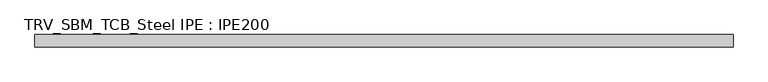
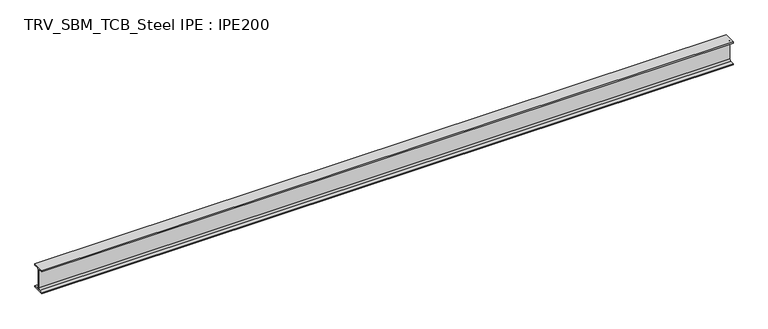
"""IFC4 building model written with IfcOpenShell, lengths in millimetres: beam geometry, TRV_SBM_TCB_Steel IPE : IPE200."""

from ifc_helpers import new_model, si_unit, point, frame, frame_2d, origin, place, context, project, spatial, polyline, circle_curve, trimmed, segment, composite_curve, outline, extrude, source, transform, mapped, element, save


def trv_sbm_tcb_steel_ipe_ipe200_8c50a62b(model_context):
    return source(origin(), model_context, "Body", "SweptSolid", [
        extrude(outline(composite_curve([segment(polyline([(50.0, -89.3), (50.0, -100.0), (-50.0, -100.0), (-50.0, -89.3), (-18.55, -89.3)]), True, "CONTINUOUS"), segment(trimmed(circle_curve(frame_2d((-18.55, -74.3)), 15.0), [point((-18.55, -89.3))], [point((-3.55, -74.3))], True, "CARTESIAN"), True, "CONTINUOUS"), segment(polyline([(-3.55, -74.3), (-3.55, 74.3)]), True, "CONTINUOUS"), segment(trimmed(circle_curve(frame_2d((-18.55, 74.3)), 15.0), [point((-3.55, 74.3))], [point((-18.55, 89.3))], True, "CARTESIAN"), True, "CONTINUOUS"), segment(polyline([(-18.55, 89.3), (-50.0, 89.3), (-50.0, 100.0), (50.0, 100.0), (50.0, 89.3), (18.55, 89.3)]), True, "CONTINUOUS"), segment(trimmed(circle_curve(frame_2d((18.55, 74.3)), 15.0), [point((18.55, 89.3))], [point((3.55, 74.3))], True, "CARTESIAN"), True, "CONTINUOUS"), segment(polyline([(3.55, 74.3), (3.55, -74.3)]), True, "CONTINUOUS"), segment(trimmed(circle_curve(frame_2d((18.55, -74.3)), 15.0), [point((3.55, -74.3))], [point((18.55, -89.3))], True, "CARTESIAN"), True, "CONTINUOUS"), segment(polyline([(18.55, -89.3), (50.0, -89.3)]), True, "CONTINUOUS")], self_intersect=False)), frame((-2834.0, 0.0, 0.0), z_axis=(1.0, 0.0, 0.0), x_axis=(0.0, 1.0, 0.0)), (0.0, 0.0, 1.0), 5688.0),
    ])


if __name__ == "__main__":
    model = new_model("IFC4")
    model_context = context("Model", 3, world=origin())
    ifc_project = project(units=[si_unit("LENGTHUNIT", "METRE", prefix="MILLI")], contexts=[model_context])
    site = spatial("IfcSite", under=ifc_project)
    building = spatial("IfcBuilding", under=site)
    placement = place(None, origin())
    trv_sbm_tcb_steel_ipe_ipe200_shape = trv_sbm_tcb_steel_ipe_ipe200_8c50a62b(model_context)
    element("IfcBeam", 1, ObjectType="TRV_SBM_TCB_Steel IPE : IPE200", at=placement, inside=building, context=model_context, shape_type="MappedRepresentation", body=[
        mapped(trv_sbm_tcb_steel_ipe_ipe200_shape, transform((0.0, 0.0, 0.0), x_axis=(1.0, 0.0, 0.0), y_axis=(0.0, 1.0, 0.0), z_axis=(0.0, 0.0, 1.0))),
    ])
    save(model, "model.ifc")
